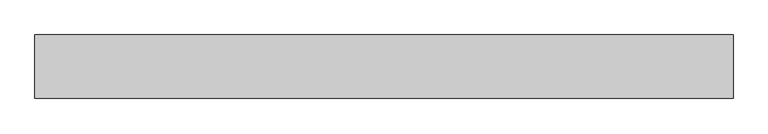
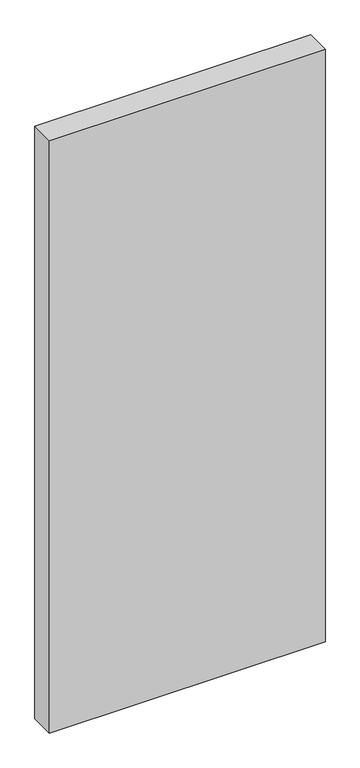
"""IFC4 building model written with IfcOpenShell, lengths in millimetres: proxy geometry."""

from ifc_helpers import new_model, si_unit, frame, origin, place, context, project, spatial, polyline, outline, extrude, source, transform, mapped, element, save


def generic_models_9029377e(model_context):
    return source(origin(), model_context, "Body", "SweptSolid", [
        extrude(outline(polyline([(1100.0, 100.0), (1100.0, 0.0), (0.0, 0.0), (0.0, 100.0), (1100.0, 100.0)])), frame((0.0, 0.0, -2500.0), z_axis=(0.0, 0.0, 1.0), x_axis=(1.0, 0.0, 0.0)), (0.0, 0.0, 1.0), 2500.0),
    ])


if __name__ == "__main__":
    model = new_model("IFC4")
    model_context = context("Model", 3, world=origin())
    ifc_project = project(units=[si_unit("LENGTHUNIT", "METRE", prefix="MILLI")], contexts=[model_context])
    site = spatial("IfcSite", under=ifc_project)
    building = spatial("IfcBuilding", under=site)
    placement = place(None, origin())
    generic_models_shape = generic_models_9029377e(model_context)
    element("IfcBuildingElementProxy", 1, Name="Generic Models", at=placement, inside=building, context=model_context, shape_type="MappedRepresentation", body=[
        mapped(generic_models_shape, transform((0.0, 0.0, 0.0), x_axis=(1.0, 0.0, 0.0), y_axis=(0.0, 1.0, 0.0), z_axis=(0.0, 0.0, 1.0))),
    ])
    save(model, "model.ifc")
